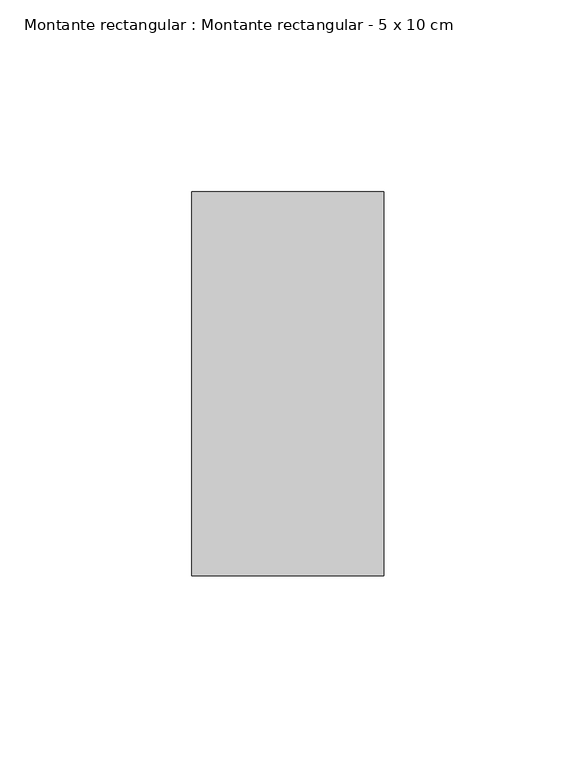
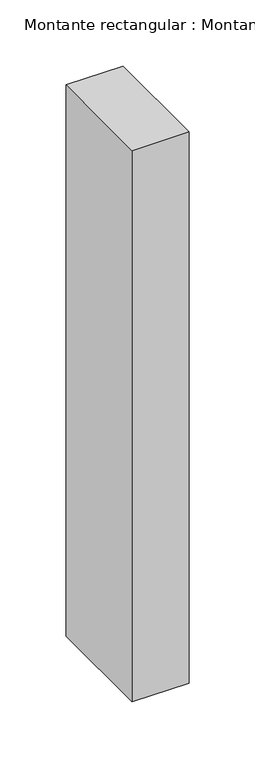
"""IFC4 building model written with IfcOpenShell, lengths in millimetres: member geometry, Montante rectangular : Montante rectangular - 5 x 10 cm."""

from ifc_helpers import new_model, si_unit, frame, origin, place, context, project, spatial, polyline, outline, extrude, source, transform, mapped, element, save


def montante_rectangular_montante_rectangular_5_x_10_cm_3023f129(model_context):
    return source(origin(), model_context, "Body", "SweptSolid", [
        extrude(outline(polyline([(-50.0, 50.0), (0.0, 50.0), (0.0, -50.0), (-50.0, -50.0), (-50.0, 50.0)])), frame((0.0, 0.0, -510.0), z_axis=(0.0, 0.0, 1.0), x_axis=(1.0, 0.0, 0.0)), (0.0, 0.0, 1.0), 510.0),
    ])


if __name__ == "__main__":
    model = new_model("IFC4")
    model_context = context("Model", 3, world=origin())
    ifc_project = project(units=[si_unit("LENGTHUNIT", "METRE", prefix="MILLI")], contexts=[model_context])
    site = spatial("IfcSite", under=ifc_project)
    building = spatial("IfcBuilding", under=site)
    placement = place(None, origin())
    montante_rectangular_montante_rectangular_5_x_10_cm_shape = montante_rectangular_montante_rectangular_5_x_10_cm_3023f129(model_context)
    element("IfcMember", 1, ObjectType="Montante rectangular : Montante rectangular - 5 x 10 cm", at=placement, inside=building, context=model_context, shape_type="MappedRepresentation", body=[
        mapped(montante_rectangular_montante_rectangular_5_x_10_cm_shape, transform((0.0, 0.0, 0.0), x_axis=(1.0, 0.0, 0.0), y_axis=(0.0, 1.0, 0.0), z_axis=(0.0, 0.0, 1.0))),
    ])
    save(model, "model.ifc")
